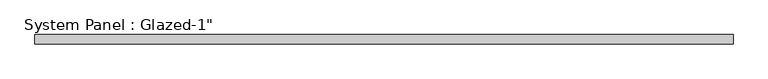
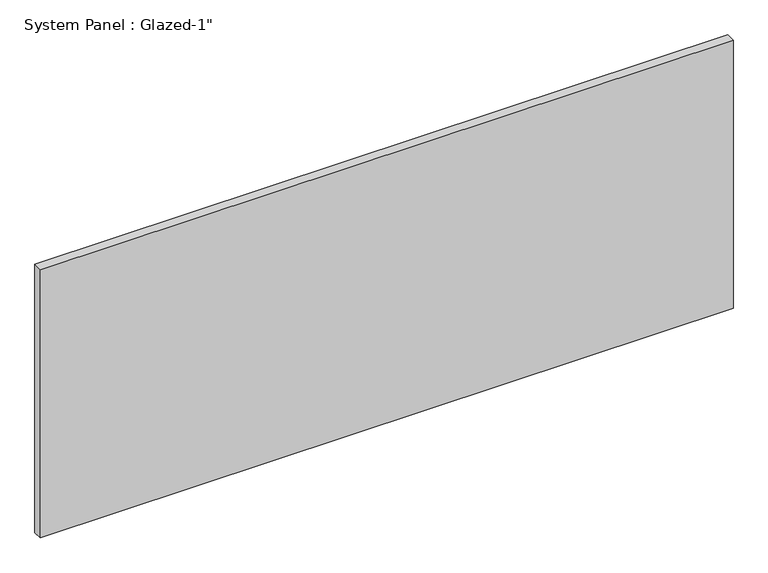
"""IFC4 building model written with IfcOpenShell, lengths in millimetres: plate geometry."""

from ifc_helpers import new_model, si_unit, origin, origin_with_axes, place, context, project, spatial, polyline, outline, extrude, source, transform, mapped, element, save


def plate_24977e1d(model_context):
    return source(origin(), model_context, "Body", "SweptSolid", [
        extrude(outline(polyline([(962.024708, 25.4), (-962.024708, 25.4), (-962.024708, 50.8), (962.024708, 50.8), (962.024708, 25.4)])), origin_with_axes(), (0.0, 0.0, 1.0), 787.4),
    ])


if __name__ == "__main__":
    model = new_model("IFC4")
    model_context = context("Model", 3, world=origin())
    ifc_project = project(units=[si_unit("LENGTHUNIT", "METRE", prefix="MILLI")], contexts=[model_context])
    site = spatial("IfcSite", under=ifc_project)
    building = spatial("IfcBuilding", under=site)
    placement = place(None, origin())
    plate_shape = plate_24977e1d(model_context)
    element("IfcPlate", 1, ObjectType="System Panel : Glazed-1\"", at=placement, inside=building, context=model_context, shape_type="MappedRepresentation", body=[
        mapped(plate_shape, transform((0.0, 0.0, 0.0), x_axis=(1.0, 0.0, 0.0), y_axis=(0.0, 1.0, 0.0), z_axis=(0.0, 0.0, 1.0))),
    ])
    save(model, "model.ifc")
